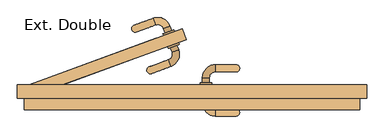
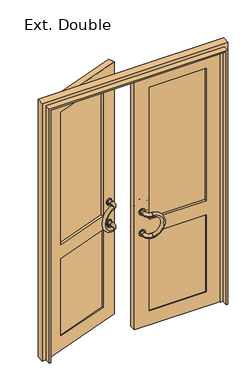
"""IFC4 building model written with IfcOpenShell, lengths in millimetres: door geometry, Ext. Double."""

from ifc_helpers import new_model, si_unit, point, frame, origin, place, context, project, spatial, polyline, circle_curve, ellipse_curve, trimmed, outline, extrude, faceted_brep, source, transform, mapped, element, save
from ifc_brep_helpers import plane_surface, cylinder_surface, revolved_surface, advanced_brep


def ext_double_1179056d(model_context):
    return source(origin(), model_context, "Body", "SolidModel", [
        advanced_brep(
        [(35.0, 213.0, 990.0), (65.0, 213.0, 990.0), (90.0, 268.0, 990.0), (90.0, 238.0, 990.0)],
        [
            (0, 1, circle_curve(frame((50.0, 213.0, 990.0), z_axis=(0.0, -1.0, 0.0), x_axis=(1.0, 0.0, 0.0)), 15.0)),
            (1, 0, circle_curve(frame((50.0, 213.0, 990.0), z_axis=(0.0, -1.0, 0.0), x_axis=(1.0, 0.0, 0.0)), 15.0)),
            (2, 3, circle_curve(frame((90.0, 253.0, 990.0), z_axis=(1.0, 0.0, 0.0), x_axis=(0.0, -1.0, 0.0)), 15.0)),
            (3, 2, circle_curve(frame((90.0, 253.0, 990.0), z_axis=(1.0, 0.0, 0.0), x_axis=(0.0, -1.0, 0.0)), 15.0)),
            (2, 0, circle_curve(frame((90.0, 213.0, 990.0), z_axis=(0.0, 0.0, 1.0), x_axis=(-1.0, 0.0, 0.0)), 55.0)),
            (1, 3, circle_curve(frame((90.0, 213.0, 990.0), z_axis=(0.0, 0.0, -1.0), x_axis=(-1.0, 0.0, 0.0)), 25.0)),
        ],
        [
            plane_surface(frame((90.0, 213.0, 990.0), z_axis=(0.0, -1.0, 0.0), x_axis=(-1.0, 0.0, 0.0))),
            plane_surface(frame((90.0, 213.0, 990.0), z_axis=(1.0, 0.0, 0.0), x_axis=(0.0, 1.0, 0.0))),
            revolved_surface(trimmed(ellipse_curve(frame((50.0, 213.0, 990.0), z_axis=(0.0, 1.0, 0.0), x_axis=(1.0, 0.0, 0.0)), 15.0, 15.0), [point((35.0, 213.0, 990.0))], [point((65.0, 213.0, 990.0))], True, "CARTESIAN"), (90.0, 213.0, 990.0), (0.0, 0.0, 1.0)),
            revolved_surface(trimmed(ellipse_curve(frame((50.0, 213.0, 990.0), z_axis=(0.0, 1.0, 0.0), x_axis=(1.0, 0.0, 0.0)), 15.0, 15.0), [point((65.0, 213.0, 990.0))], [point((35.0, 213.0, 990.0))], True, "CARTESIAN"), (90.0, 213.0, 990.0), (0.0, 0.0, 1.0)),
        ],
        [
            (0, [[1, 2]]),
            (1, [[3, 4]]),
            (2, [[-3, 5, -2, 6]]),
            (3, [[-4, -6, -1, -5]]),
        ],
    ),
        advanced_brep(
        [(35.0, 213.0, 810.0), (65.0, 213.0, 810.0), (90.0, 268.0, 810.0), (90.0, 238.0, 810.0)],
        [
            (0, 1, circle_curve(frame((50.0, 213.0, 810.0), z_axis=(0.0, -1.0, 0.0), x_axis=(1.0, 0.0, 0.0)), 15.0)),
            (1, 0, circle_curve(frame((50.0, 213.0, 810.0), z_axis=(0.0, -1.0, 0.0), x_axis=(1.0, 0.0, 0.0)), 15.0)),
            (2, 3, circle_curve(frame((90.0, 253.0, 810.0), z_axis=(1.0, 0.0, 0.0), x_axis=(0.0, -1.0, 0.0)), 15.0)),
            (3, 2, circle_curve(frame((90.0, 253.0, 810.0), z_axis=(1.0, 0.0, 0.0), x_axis=(0.0, -1.0, 0.0)), 15.0)),
            (2, 0, circle_curve(frame((90.0, 213.0, 810.0), z_axis=(0.0, 0.0, 1.0), x_axis=(-1.0, 0.0, 0.0)), 55.0)),
            (1, 3, circle_curve(frame((90.0, 213.0, 810.0), z_axis=(0.0, 0.0, -1.0), x_axis=(-1.0, 0.0, 0.0)), 25.0)),
        ],
        [
            plane_surface(frame((90.0, 213.0, 990.0), z_axis=(0.0, -1.0, 0.0), x_axis=(-1.0, 0.0, 0.0))),
            plane_surface(frame((90.0, 213.0, 990.0), z_axis=(1.0, 0.0, 0.0), x_axis=(0.0, 1.0, 0.0))),
            revolved_surface(trimmed(ellipse_curve(frame((50.0, 213.0, 810.0), z_axis=(0.0, 1.0, 0.0), x_axis=(1.0, 0.0, 0.0)), 15.0, 15.0), [point((35.0, 213.0, 810.0))], [point((65.0, 213.0, 810.0))], True, "CARTESIAN"), (90.0, 213.0, 990.0), (0.0, 0.0, 1.0)),
            revolved_surface(trimmed(ellipse_curve(frame((50.0, 213.0, 810.0), z_axis=(0.0, 1.0, 0.0), x_axis=(1.0, 0.0, 0.0)), 15.0, 15.0), [point((65.0, 213.0, 810.0))], [point((35.0, 213.0, 810.0))], True, "CARTESIAN"), (90.0, 213.0, 990.0), (0.0, 0.0, 1.0)),
        ],
        [
            (0, [[1, 2]]),
            (1, [[3, 4]]),
            (2, [[-3, 5, -2, 6]]),
            (3, [[-4, -6, -1, -5]]),
        ],
    ),
        advanced_brep(
        [(90.0, 238.0, 990.0), (90.0, 268.0, 990.0), (90.0, 238.0, 810.0), (90.0, 268.0, 810.0)],
        [
            (0, 1, circle_curve(frame((90.0, 253.0, 990.0), z_axis=(-1.0, 0.0, 0.0), x_axis=(0.0, 1.0, 0.0)), 15.0)),
            (1, 0, circle_curve(frame((90.0, 253.0, 990.0), z_axis=(-1.0, 0.0, 0.0), x_axis=(0.0, 1.0, 0.0)), 15.0)),
            (2, 3, circle_curve(frame((90.0, 253.0, 810.0), z_axis=(-1.0, 0.0, 0.0), x_axis=(0.0, 1.0, 0.0)), 15.0)),
            (3, 2, circle_curve(frame((90.0, 253.0, 810.0), z_axis=(-1.0, 0.0, 0.0), x_axis=(0.0, 1.0, 0.0)), 15.0)),
            (2, 0, circle_curve(frame((90.0, 238.0, 900.0), z_axis=(0.0, -1.0, 0.0), x_axis=(0.0, 0.0, 1.0)), 90.0)),
            (1, 3, circle_curve(frame((90.0, 268.0, 900.0), z_axis=(0.0, 1.0, 0.0), x_axis=(0.0, 0.0, 1.0)), 90.0)),
        ],
        [
            plane_surface(frame((90.0, 268.0, 900.0), z_axis=(-1.0, 0.0, 0.0), x_axis=(0.0, 0.0, 1.0))),
            plane_surface(frame((90.0, 268.0, 900.0), z_axis=(-1.0, 0.0, 0.0), x_axis=(0.0, 0.0, -1.0))),
            revolved_surface(trimmed(ellipse_curve(frame((90.0, 253.0, 990.0), z_axis=(1.0, 0.0, 0.0), x_axis=(0.0, 1.0, 0.0)), 15.0, 15.0), [point((90.0, 238.0, 990.0))], [point((90.0, 268.0, 990.0))], True, "CARTESIAN"), (90.0, 268.0, 900.0), (0.0, -1.0, 0.0)),
            revolved_surface(trimmed(ellipse_curve(frame((90.0, 253.0, 990.0), z_axis=(1.0, 0.0, 0.0), x_axis=(0.0, 1.0, 0.0)), 15.0, 15.0), [point((90.0, 268.0, 990.0))], [point((90.0, 238.0, 990.0))], True, "CARTESIAN"), (90.0, 268.0, 900.0), (0.0, -1.0, 0.0)),
        ],
        [
            (0, [[1, 2]]),
            (1, [[3, 4]]),
            (2, [[-3, 5, -2, 6]]),
            (3, [[-4, -6, -1, -5]]),
        ],
    ),
        advanced_brep(
        [(65.0, 103.0, 990.0), (35.0, 103.0, 990.0), (90.0, 78.0, 990.0), (90.0, 48.0, 990.0)],
        [
            (0, 1, circle_curve(frame((50.0, 103.0, 990.0), z_axis=(0.0, 1.0, 0.0), x_axis=(-1.0, 0.0, 0.0)), 15.0)),
            (1, 0, circle_curve(frame((50.0, 103.0, 990.0), z_axis=(0.0, 1.0, 0.0), x_axis=(-1.0, 0.0, 0.0)), 15.0)),
            (2, 3, circle_curve(frame((90.0, 63.0, 990.0), z_axis=(1.0, 0.0, 0.0), x_axis=(0.0, -1.0, 0.0)), 15.0)),
            (3, 2, circle_curve(frame((90.0, 63.0, 990.0), z_axis=(1.0, 0.0, 0.0), x_axis=(0.0, -1.0, 0.0)), 15.0)),
            (2, 0, circle_curve(frame((90.0, 103.0, 990.0), z_axis=(0.0, 0.0, -1.0), x_axis=(-1.0, 0.0, 0.0)), 25.0)),
            (1, 3, circle_curve(frame((90.0, 103.0, 990.0), z_axis=(0.0, 0.0, 1.0), x_axis=(-1.0, 0.0, 0.0)), 55.0)),
        ],
        [
            plane_surface(frame((90.0, 103.0, 990.0), z_axis=(0.0, 1.0, 0.0), x_axis=(-1.0, 0.0, 0.0))),
            plane_surface(frame((90.0, 103.0, 990.0), z_axis=(1.0, 0.0, 0.0), x_axis=(0.0, -1.0, 0.0))),
            revolved_surface(trimmed(ellipse_curve(frame((50.0, 103.0, 990.0), z_axis=(0.0, -1.0, 0.0), x_axis=(-1.0, 0.0, 0.0)), 15.0, 15.0), [point((65.0, 103.0, 990.0))], [point((35.0, 103.0, 990.0))], True, "CARTESIAN"), (90.0, 103.0, 990.0), (0.0, 0.0, -1.0)),
            revolved_surface(trimmed(ellipse_curve(frame((50.0, 103.0, 990.0), z_axis=(0.0, -1.0, 0.0), x_axis=(-1.0, 0.0, 0.0)), 15.0, 15.0), [point((35.0, 103.0, 990.0))], [point((65.0, 103.0, 990.0))], True, "CARTESIAN"), (90.0, 103.0, 990.0), (0.0, 0.0, -1.0)),
        ],
        [
            (0, [[1, 2]]),
            (1, [[3, 4]]),
            (2, [[-3, 5, -2, 6]]),
            (3, [[-4, -6, -1, -5]]),
        ],
    ),
        advanced_brep(
        [(65.0, 103.0, 810.0), (35.0, 103.0, 810.0), (90.0, 78.0, 810.0), (90.0, 48.0, 810.0)],
        [
            (0, 1, circle_curve(frame((50.0, 103.0, 810.0), z_axis=(0.0, 1.0, 0.0), x_axis=(-1.0, 0.0, 0.0)), 15.0)),
            (1, 0, circle_curve(frame((50.0, 103.0, 810.0), z_axis=(0.0, 1.0, 0.0), x_axis=(-1.0, 0.0, 0.0)), 15.0)),
            (2, 3, circle_curve(frame((90.0, 63.0, 810.0), z_axis=(1.0, 0.0, 0.0), x_axis=(0.0, -1.0, 0.0)), 15.0)),
            (3, 2, circle_curve(frame((90.0, 63.0, 810.0), z_axis=(1.0, 0.0, 0.0), x_axis=(0.0, -1.0, 0.0)), 15.0)),
            (2, 0, circle_curve(frame((90.0, 103.0, 810.0), z_axis=(0.0, 0.0, -1.0), x_axis=(-1.0, 0.0, 0.0)), 25.0)),
            (1, 3, circle_curve(frame((90.0, 103.0, 810.0), z_axis=(0.0, 0.0, 1.0), x_axis=(-1.0, 0.0, 0.0)), 55.0)),
        ],
        [
            plane_surface(frame((90.0, 103.0, 990.0), z_axis=(0.0, 1.0, 0.0), x_axis=(-1.0, 0.0, 0.0))),
            plane_surface(frame((90.0, 103.0, 990.0), z_axis=(1.0, 0.0, 0.0), x_axis=(0.0, -1.0, 0.0))),
            revolved_surface(trimmed(ellipse_curve(frame((50.0, 103.0, 810.0), z_axis=(0.0, -1.0, 0.0), x_axis=(-1.0, 0.0, 0.0)), 15.0, 15.0), [point((65.0, 103.0, 810.0))], [point((35.0, 103.0, 810.0))], True, "CARTESIAN"), (90.0, 103.0, 990.0), (0.0, 0.0, -1.0)),
            revolved_surface(trimmed(ellipse_curve(frame((50.0, 103.0, 810.0), z_axis=(0.0, -1.0, 0.0), x_axis=(-1.0, 0.0, 0.0)), 15.0, 15.0), [point((35.0, 103.0, 810.0))], [point((65.0, 103.0, 810.0))], True, "CARTESIAN"), (90.0, 103.0, 990.0), (0.0, 0.0, -1.0)),
        ],
        [
            (0, [[1, 2]]),
            (1, [[3, 4]]),
            (2, [[-3, 5, -2, 6]]),
            (3, [[-4, -6, -1, -5]]),
        ],
    ),
        advanced_brep(
        [(90.0, 48.0, 990.0), (90.0, 78.0, 990.0), (90.0, 48.0, 810.0), (90.0, 78.0, 810.0)],
        [
            (0, 1, circle_curve(frame((90.0, 63.0, 990.0), z_axis=(-1.0, 0.0, 0.0), x_axis=(0.0, 1.0, 0.0)), 15.0)),
            (1, 0, circle_curve(frame((90.0, 63.0, 990.0), z_axis=(-1.0, 0.0, 0.0), x_axis=(0.0, 1.0, 0.0)), 15.0)),
            (2, 3, circle_curve(frame((90.0, 63.0, 810.0), z_axis=(-1.0, 0.0, 0.0), x_axis=(0.0, 1.0, 0.0)), 15.0)),
            (3, 2, circle_curve(frame((90.0, 63.0, 810.0), z_axis=(-1.0, 0.0, 0.0), x_axis=(0.0, 1.0, 0.0)), 15.0)),
            (2, 0, circle_curve(frame((90.0, 48.0, 900.0), z_axis=(0.0, -1.0, 0.0), x_axis=(0.0, 0.0, 1.0)), 90.0)),
            (1, 3, circle_curve(frame((90.0, 78.0, 900.0), z_axis=(0.0, 1.0, 0.0), x_axis=(0.0, 0.0, 1.0)), 90.0)),
        ],
        [
            plane_surface(frame((90.0, 63.0, 900.0), z_axis=(-1.0, 0.0, 0.0), x_axis=(0.0, 0.0, 1.0))),
            plane_surface(frame((90.0, 63.0, 900.0), z_axis=(-1.0, 0.0, 0.0), x_axis=(0.0, 0.0, -1.0))),
            revolved_surface(trimmed(ellipse_curve(frame((90.0, 63.0, 990.0), z_axis=(1.0, 0.0, 0.0), x_axis=(0.0, 1.0, 0.0)), 15.0, 15.0), [point((90.0, 48.0, 990.0))], [point((90.0, 78.0, 990.0))], True, "CARTESIAN"), (90.0, 63.0, 900.0), (0.0, -1.0, 0.0)),
            revolved_surface(trimmed(ellipse_curve(frame((90.0, 63.0, 990.0), z_axis=(1.0, 0.0, 0.0), x_axis=(0.0, 1.0, 0.0)), 15.0, 15.0), [point((90.0, 78.0, 990.0))], [point((90.0, 48.0, 990.0))], True, "CARTESIAN"), (90.0, 63.0, 900.0), (0.0, -1.0, 0.0)),
        ],
        [
            (0, [[1, 2]]),
            (1, [[3, 4]]),
            (2, [[-3, 5, -2, 6]]),
            (3, [[-4, -6, -1, -5]]),
        ],
    ),
        advanced_brep(
        [(25.0, 191.0, 990.0), (75.0, 191.0, 990.0), (65.0, 191.0, 990.0), (35.0, 191.0, 990.0), (25.0, 183.0, 990.0), (75.0, 183.0, 990.0), (35.0, 213.0, 990.0), (65.0, 213.0, 990.0)],
        [
            (0, 1, circle_curve(frame((50.0, 191.0, 990.0), z_axis=(0.0, 1.0, 0.0), x_axis=(1.0, 0.0, 0.0)), 25.0)),
            (1, 0, circle_curve(frame((50.0, 191.0, 990.0), z_axis=(0.0, 1.0, 0.0), x_axis=(1.0, 0.0, 0.0)), 25.0)),
            (2, 3, circle_curve(frame((50.0, 191.0, 990.0), z_axis=(0.0, -1.0, 0.0), x_axis=(1.0, 0.0, 0.0)), 15.0)),
            (3, 2, circle_curve(frame((50.0, 191.0, 990.0), z_axis=(0.0, -1.0, 0.0), x_axis=(1.0, 0.0, 0.0)), 15.0)),
            (4, 5, circle_curve(frame((50.0, 183.0, 990.0), z_axis=(0.0, -1.0, 0.0), x_axis=(1.0, 0.0, 0.0)), 25.0)),
            (5, 4, circle_curve(frame((50.0, 183.0, 990.0), z_axis=(0.0, -1.0, 0.0), x_axis=(1.0, 0.0, 0.0)), 25.0)),
            (1, 5),
            (4, 0),
            (6, 7, circle_curve(frame((50.0, 213.0, 990.0), z_axis=(0.0, 1.0, 0.0), x_axis=(1.0, 0.0, 0.0)), 15.0)),
            (7, 6, circle_curve(frame((50.0, 213.0, 990.0), z_axis=(0.0, 1.0, 0.0), x_axis=(1.0, 0.0, 0.0)), 15.0)),
            (7, 2),
            (3, 6),
        ],
        [
            plane_surface(frame((75.0, 191.0, 990.0), z_axis=(0.0, 1.0, 0.0), x_axis=(0.0, 0.0, 1.0))),
            plane_surface(frame((75.0, 183.0, 990.0), z_axis=(0.0, -1.0, 0.0), x_axis=(0.0, 0.0, -1.0))),
            cylinder_surface(frame((50.0, 183.0, 990.0), z_axis=(0.0, 1.0, 0.0), x_axis=(1.0, 0.0, 0.0)), 25.0),
            plane_surface(frame((65.0, 213.0, 990.0), z_axis=(0.0, 1.0, 0.0), x_axis=(0.0, 0.0, 1.0))),
            cylinder_surface(frame((50.0, 183.0, 990.0), z_axis=(0.0, 1.0, 0.0), x_axis=(1.0, 0.0, 0.0)), 15.0),
        ],
        [
            (0, [[1, 2], [3, 4]]),
            (1, [[5, 6]]),
            (2, [[7, -5, 8, -2]]),
            (2, [[-8, -6, -7, -1]]),
            (3, [[9, 10]]),
            (4, [[11, -4, 12, -10]]),
            (4, [[-12, -3, -11, -9]]),
        ],
    ),
        advanced_brep(
        [(25.0, 191.0, 810.0), (75.0, 191.0, 810.0), (65.0, 191.0, 810.0), (35.0, 191.0, 810.0), (25.0, 183.0, 810.0), (75.0, 183.0, 810.0), (35.0, 213.0, 810.0), (65.0, 213.0, 810.0)],
        [
            (0, 1, circle_curve(frame((50.0, 191.0, 810.0), z_axis=(0.0, 1.0, 0.0), x_axis=(1.0, 0.0, 0.0)), 25.0)),
            (1, 0, circle_curve(frame((50.0, 191.0, 810.0), z_axis=(0.0, 1.0, 0.0), x_axis=(1.0, 0.0, 0.0)), 25.0)),
            (2, 3, circle_curve(frame((50.0, 191.0, 810.0), z_axis=(0.0, -1.0, 0.0), x_axis=(1.0, 0.0, 0.0)), 15.0)),
            (3, 2, circle_curve(frame((50.0, 191.0, 810.0), z_axis=(0.0, -1.0, 0.0), x_axis=(1.0, 0.0, 0.0)), 15.0)),
            (4, 5, circle_curve(frame((50.0, 183.0, 810.0), z_axis=(0.0, -1.0, 0.0), x_axis=(1.0, 0.0, 0.0)), 25.0)),
            (5, 4, circle_curve(frame((50.0, 183.0, 810.0), z_axis=(0.0, -1.0, 0.0), x_axis=(1.0, 0.0, 0.0)), 25.0)),
            (1, 5),
            (4, 0),
            (6, 7, circle_curve(frame((50.0, 213.0, 810.0), z_axis=(0.0, 1.0, 0.0), x_axis=(1.0, 0.0, 0.0)), 15.0)),
            (7, 6, circle_curve(frame((50.0, 213.0, 810.0), z_axis=(0.0, 1.0, 0.0), x_axis=(1.0, 0.0, 0.0)), 15.0)),
            (7, 2),
            (3, 6),
        ],
        [
            plane_surface(frame((75.0, 191.0, 990.0), z_axis=(0.0, 1.0, 0.0), x_axis=(0.0, 0.0, 1.0))),
            plane_surface(frame((75.0, 183.0, 990.0), z_axis=(0.0, -1.0, 0.0), x_axis=(0.0, 0.0, -1.0))),
            cylinder_surface(frame((50.0, 183.0, 810.0), z_axis=(0.0, 1.0, 0.0), x_axis=(1.0, 0.0, 0.0)), 25.0),
            plane_surface(frame((65.0, 213.0, 990.0), z_axis=(0.0, 1.0, 0.0), x_axis=(0.0, 0.0, 1.0))),
            cylinder_surface(frame((50.0, 183.0, 810.0), z_axis=(0.0, 1.0, 0.0), x_axis=(1.0, 0.0, 0.0)), 15.0),
        ],
        [
            (0, [[1, 2], [3, 4]]),
            (1, [[5, 6]]),
            (2, [[7, -5, 8, -2]]),
            (2, [[-8, -6, -7, -1]]),
            (3, [[9, 10]]),
            (4, [[11, -4, 12, -10]]),
            (4, [[-12, -3, -11, -9]]),
        ],
    ),
        advanced_brep(
        [(25.0, 133.0, 810.0), (75.0, 133.0, 810.0), (25.0, 125.0, 810.0), (75.0, 125.0, 810.0), (35.0, 125.0, 810.0), (65.0, 125.0, 810.0), (35.0, 103.0, 810.0), (65.0, 103.0, 810.0)],
        [
            (0, 1, circle_curve(frame((50.0, 133.0, 810.0), z_axis=(0.0, 1.0, 0.0), x_axis=(1.0, 0.0, 0.0)), 25.0)),
            (1, 0, circle_curve(frame((50.0, 133.0, 810.0), z_axis=(0.0, 1.0, 0.0), x_axis=(1.0, 0.0, 0.0)), 25.0)),
            (2, 3, circle_curve(frame((50.0, 125.0, 810.0), z_axis=(0.0, -1.0, 0.0), x_axis=(1.0, 0.0, 0.0)), 25.0)),
            (3, 2, circle_curve(frame((50.0, 125.0, 810.0), z_axis=(0.0, -1.0, 0.0), x_axis=(1.0, 0.0, 0.0)), 25.0)),
            (4, 5, circle_curve(frame((50.0, 125.0, 810.0), z_axis=(0.0, 1.0, 0.0), x_axis=(1.0, 0.0, 0.0)), 15.0)),
            (5, 4, circle_curve(frame((50.0, 125.0, 810.0), z_axis=(0.0, 1.0, 0.0), x_axis=(1.0, 0.0, 0.0)), 15.0)),
            (1, 3),
            (2, 0),
            (6, 7, circle_curve(frame((50.0, 103.0, 810.0), z_axis=(0.0, -1.0, 0.0), x_axis=(1.0, 0.0, 0.0)), 15.0)),
            (7, 6, circle_curve(frame((50.0, 103.0, 810.0), z_axis=(0.0, -1.0, 0.0), x_axis=(1.0, 0.0, 0.0)), 15.0)),
            (6, 4),
            (5, 7),
        ],
        [
            plane_surface(frame((75.0, 133.0, 990.0), z_axis=(0.0, 1.0, 0.0), x_axis=(0.0, 0.0, 1.0))),
            plane_surface(frame((75.0, 125.0, 990.0), z_axis=(0.0, -1.0, 0.0), x_axis=(0.0, 0.0, -1.0))),
            cylinder_surface(frame((50.0, 133.0, 810.0), z_axis=(0.0, 1.0, 0.0), x_axis=(1.0, 0.0, 0.0)), 25.0),
            plane_surface(frame((65.0, 103.0, 990.0), z_axis=(0.0, -1.0, 0.0), x_axis=(0.0, 0.0, -1.0))),
            cylinder_surface(frame((50.0, 133.0, 810.0), z_axis=(0.0, 1.0, 0.0), x_axis=(1.0, 0.0, 0.0)), 15.0),
        ],
        [
            (0, [[1, 2]]),
            (1, [[3, 4], [5, 6]]),
            (2, [[7, -3, 8, -2]]),
            (2, [[-8, -4, -7, -1]]),
            (3, [[9, 10]]),
            (4, [[11, -6, 12, -9]]),
            (4, [[-12, -5, -11, -10]]),
        ],
    ),
        advanced_brep(
        [(25.0, 133.0, 990.0), (75.0, 133.0, 990.0), (25.0, 125.0, 990.0), (75.0, 125.0, 990.0), (35.0, 125.0, 990.0), (65.0, 125.0, 990.0), (35.0, 103.0, 990.0), (65.0, 103.0, 990.0)],
        [
            (0, 1, circle_curve(frame((50.0, 133.0, 990.0), z_axis=(0.0, 1.0, 0.0), x_axis=(1.0, 0.0, 0.0)), 25.0)),
            (1, 0, circle_curve(frame((50.0, 133.0, 990.0), z_axis=(0.0, 1.0, 0.0), x_axis=(1.0, 0.0, 0.0)), 25.0)),
            (2, 3, circle_curve(frame((50.0, 125.0, 990.0), z_axis=(0.0, -1.0, 0.0), x_axis=(1.0, 0.0, 0.0)), 25.0)),
            (3, 2, circle_curve(frame((50.0, 125.0, 990.0), z_axis=(0.0, -1.0, 0.0), x_axis=(1.0, 0.0, 0.0)), 25.0)),
            (4, 5, circle_curve(frame((50.0, 125.0, 990.0), z_axis=(0.0, 1.0, 0.0), x_axis=(1.0, 0.0, 0.0)), 15.0)),
            (5, 4, circle_curve(frame((50.0, 125.0, 990.0), z_axis=(0.0, 1.0, 0.0), x_axis=(1.0, 0.0, 0.0)), 15.0)),
            (1, 3),
            (2, 0),
            (6, 7, circle_curve(frame((50.0, 103.0, 990.0), z_axis=(0.0, -1.0, 0.0), x_axis=(1.0, 0.0, 0.0)), 15.0)),
            (7, 6, circle_curve(frame((50.0, 103.0, 990.0), z_axis=(0.0, -1.0, 0.0), x_axis=(1.0, 0.0, 0.0)), 15.0)),
            (6, 4),
            (5, 7),
        ],
        [
            plane_surface(frame((75.0, 133.0, 990.0), z_axis=(0.0, 1.0, 0.0), x_axis=(0.0, 0.0, 1.0))),
            plane_surface(frame((75.0, 125.0, 990.0), z_axis=(0.0, -1.0, 0.0), x_axis=(0.0, 0.0, -1.0))),
            cylinder_surface(frame((50.0, 125.0, 990.0), z_axis=(0.0, 1.0, 0.0), x_axis=(1.0, 0.0, 0.0)), 25.0),
            plane_surface(frame((65.0, 103.0, 990.0), z_axis=(0.0, -1.0, 0.0), x_axis=(0.0, 0.0, -1.0))),
            cylinder_surface(frame((50.0, 103.0, 990.0), z_axis=(0.0, 1.0, 0.0), x_axis=(1.0, 0.0, 0.0)), 15.0),
        ],
        [
            (0, [[1, 2]]),
            (1, [[3, 4], [5, 6]]),
            (2, [[7, -3, 8, -2]]),
            (2, [[-8, -4, -7, -1]]),
            (3, [[9, 10]]),
            (4, [[11, -6, 12, -9]]),
            (4, [[-12, -5, -11, -10]]),
        ],
    ),
        extrude(outline(polyline([(110.0, 153.0), (110.0, 163.0), (570.0, 163.0), (570.0, 153.0), (110.0, 153.0)])), frame((0.0, 0.0, 900.0), z_axis=(0.0, 0.0, 1.0), x_axis=(1.0, 0.0, 0.0)), (0.0, 0.0, 1.0), 1130.0),
        faceted_brep([(-10.0, 133.0, 2150.0), (-10.0, 133.0, 0.0), (690.0, 133.0, 0.0), (690.0, 133.0, 2150.0), (570.0, 133.0, 2030.0), (570.0, 133.0, 900.0), (110.0, 133.0, 900.0), (110.0, 133.0, 2030.0), (110.0, 133.0, 780.0), (570.0, 133.0, 780.0), (570.0, 133.0, 120.0), (110.0, 133.0, 120.0), (-10.0, 183.0, 2150.0), (690.0, 183.0, 2150.0), (690.0, 183.0, 0.0), (-10.0, 183.0, 0.0), (570.0, 183.0, 2030.0), (110.0, 183.0, 2030.0), (110.0, 183.0, 900.0), (570.0, 183.0, 900.0), (570.0, 183.0, 780.0), (110.0, 183.0, 780.0), (110.0, 183.0, 120.0), (570.0, 183.0, 120.0), (110.0, 141.0, 780.0), (110.0, 141.0, 120.0), (570.0, 141.0, 120.0), (570.0, 141.0, 780.0), (570.0, 175.0, 780.0), (570.0, 175.0, 120.0), (110.0, 175.0, 120.0), (110.0, 175.0, 780.0)], [[[0, 1, 2, 3], [4, 5, 6, 7], [8, 9, 10, 11]], [[12, 13, 14, 15], [16, 17, 18, 19], [20, 21, 22, 23]], [[3, 13, 12, 0]], [[2, 14, 13, 3]], [[1, 15, 14, 2]], [[0, 12, 15, 1]], [[7, 17, 16, 4]], [[6, 18, 17, 7]], [[5, 19, 18, 6]], [[4, 16, 19, 5]], [[24, 25, 26, 27]], [[24, 8, 11, 25]], [[25, 11, 10, 26]], [[26, 10, 9, 27]], [[27, 9, 8, 24]], [[28, 29, 30, 31]], [[28, 20, 23, 29]], [[29, 23, 22, 30]], [[30, 22, 21, 31]], [[31, 21, 20, 28]]]),
        advanced_brep(
        [(-104.7619377, 435.2139725, 990.0), (-132.9527163, 424.9533682, 990.0), (-175.2561397, 468.0859588, 990.0), (-164.9955354, 439.8951801, 990.0)],
        [
            (0, 1, circle_curve(frame((-118.857327, 430.0836704, 990.0), z_axis=(0.34202014332566416, -0.9396926207859104, 0.0), x_axis=(-0.9396926207859102, -0.3420201433256641, 0.0)), 15.0)),
            (1, 0, circle_curve(frame((-118.857327, 430.0836704, 990.0), z_axis=(0.34202014332566416, -0.9396926207859104, 0.0), x_axis=(-0.9396926207859102, -0.3420201433256641, 0.0)), 15.0)),
            (2, 3, circle_curve(frame((-170.1258376, 453.9905695, 990.0), z_axis=(-0.9396926207859108, -0.3420201433256624, 0.0), x_axis=(0.34202014332566244, -0.939692620785911, 0.0)), 15.0)),
            (3, 2, circle_curve(frame((-170.1258376, 453.9905695, 990.0), z_axis=(-0.9396926207859108, -0.3420201433256624, 0.0), x_axis=(0.34202014332566244, -0.939692620785911, 0.0)), 15.0)),
            (3, 1, circle_curve(frame((-156.4450318, 416.4028646, 990.0), z_axis=(0.0, 0.0, -1.0), x_axis=(0.939692620785908, 0.34202014332567016, 0.0)), 25.0)),
            (0, 2, circle_curve(frame((-156.4450318, 416.4028646, 990.0), z_axis=(0.0, 0.0, 1.0), x_axis=(0.939692620785908, 0.34202014332567016, 0.0)), 55.0)),
        ],
        [
            plane_surface(frame((-156.4450318, 416.4028646, 990.0), z_axis=(0.34202014332567016, -0.939692620785908, 0.0), x_axis=(0.939692620785908, 0.34202014332567016, 0.0))),
            plane_surface(frame((-156.4450318, 416.4028646, 990.0), z_axis=(-0.9396926207859086, -0.3420201433256684, 0.0), x_axis=(-0.3420201433256684, 0.9396926207859086, 0.0))),
            revolved_surface(trimmed(ellipse_curve(frame((-118.857327, 430.0836704, 990.0), z_axis=(0.34202014332566416, -0.9396926207859104, 0.0), x_axis=(-0.9396926207859102, -0.3420201433256641, 0.0)), 15.0, 15.0), [point((-104.7619377, 435.2139725, 990.0))], [point((-132.9527163, 424.9533682, 990.0))], True, "CARTESIAN"), (-156.4450318, 416.4028646, 990.0), (0.0, 0.0, 1.0000000000000002)),
            revolved_surface(trimmed(ellipse_curve(frame((-118.857327, 430.0836704, 990.0), z_axis=(0.34202014332566416, -0.9396926207859104, 0.0), x_axis=(-0.9396926207859102, -0.3420201433256641, 0.0)), 15.0, 15.0), [point((-132.9527163, 424.9533682, 990.0))], [point((-104.7619377, 435.2139725, 990.0))], True, "CARTESIAN"), (-156.4450318, 416.4028646, 990.0), (0.0, 0.0, 1.0000000000000002)),
        ],
        [
            (0, [[1, 2]]),
            (1, [[3, 4]]),
            (2, [[5, -1, 6, -4]]),
            (3, [[-6, -2, -5, -3]]),
        ],
    ),
        advanced_brep(
        [(-104.7619377, 435.2139725, 810.0), (-132.9527163, 424.9533682, 810.0), (-175.2561397, 468.0859588, 810.0), (-164.9955354, 439.8951801, 810.0)],
        [
            (0, 1, circle_curve(frame((-118.857327, 430.0836704, 810.0), z_axis=(0.34202014332566416, -0.9396926207859104, 0.0), x_axis=(-0.9396926207859102, -0.3420201433256641, 0.0)), 15.0)),
            (1, 0, circle_curve(frame((-118.857327, 430.0836704, 810.0), z_axis=(0.34202014332566416, -0.9396926207859104, 0.0), x_axis=(-0.9396926207859102, -0.3420201433256641, 0.0)), 15.0)),
            (2, 3, circle_curve(frame((-170.1258376, 453.9905695, 810.0), z_axis=(-0.9396926207859108, -0.3420201433256624, 0.0), x_axis=(0.34202014332566244, -0.939692620785911, 0.0)), 15.0)),
            (3, 2, circle_curve(frame((-170.1258376, 453.9905695, 810.0), z_axis=(-0.9396926207859108, -0.3420201433256624, 0.0), x_axis=(0.34202014332566244, -0.939692620785911, 0.0)), 15.0)),
            (3, 1, circle_curve(frame((-156.4450318, 416.4028646, 810.0), z_axis=(0.0, 0.0, -1.0), x_axis=(0.939692620785908, 0.34202014332567016, 0.0)), 25.0)),
            (0, 2, circle_curve(frame((-156.4450318, 416.4028646, 810.0), z_axis=(0.0, 0.0, 1.0), x_axis=(0.939692620785908, 0.34202014332567016, 0.0)), 55.0)),
        ],
        [
            plane_surface(frame((-156.4450318, 416.4028646, 990.0), z_axis=(0.34202014332567016, -0.939692620785908, 0.0), x_axis=(0.939692620785908, 0.34202014332567016, 0.0))),
            plane_surface(frame((-156.4450318, 416.4028646, 990.0), z_axis=(-0.9396926207859086, -0.3420201433256684, 0.0), x_axis=(-0.3420201433256684, 0.9396926207859086, 0.0))),
            revolved_surface(trimmed(ellipse_curve(frame((-118.857327, 430.0836704, 810.0), z_axis=(0.34202014332566416, -0.9396926207859104, 0.0), x_axis=(-0.9396926207859102, -0.3420201433256641, 0.0)), 15.0, 15.0), [point((-104.7619377, 435.2139725, 810.0))], [point((-132.9527163, 424.9533682, 810.0))], True, "CARTESIAN"), (-156.4450318, 416.4028646, 990.0), (0.0, 0.0, 1.0000000000000002)),
            revolved_surface(trimmed(ellipse_curve(frame((-118.857327, 430.0836704, 810.0), z_axis=(0.34202014332566416, -0.9396926207859104, 0.0), x_axis=(-0.9396926207859102, -0.3420201433256641, 0.0)), 15.0, 15.0), [point((-132.9527163, 424.9533682, 810.0))], [point((-104.7619377, 435.2139725, 810.0))], True, "CARTESIAN"), (-156.4450318, 416.4028646, 990.0), (0.0, 0.0, 1.0000000000000002)),
        ],
        [
            (0, [[1, 2]]),
            (1, [[3, 4]]),
            (2, [[5, -1, 6, -4]]),
            (3, [[-6, -2, -5, -3]]),
        ],
    ),
        advanced_brep(
        [(-164.9955354, 439.8951801, 990.0), (-175.2561397, 468.0859588, 990.0), (-164.9955354, 439.8951801, 810.0), (-175.2561397, 468.0859588, 810.0)],
        [
            (0, 1, circle_curve(frame((-170.1258376, 453.9905695, 990.0), z_axis=(0.9396926207859086, 0.34202014332566844, 0.0), x_axis=(-0.3420201433256685, 0.9396926207859089, 0.0)), 15.0)),
            (1, 0, circle_curve(frame((-170.1258376, 453.9905695, 990.0), z_axis=(0.9396926207859086, 0.34202014332566844, 0.0), x_axis=(-0.3420201433256685, 0.9396926207859089, 0.0)), 15.0)),
            (2, 3, circle_curve(frame((-170.1258376, 453.9905695, 810.0), z_axis=(0.9396926207859086, 0.34202014332566844, 0.0), x_axis=(-0.3420201433256685, 0.9396926207859089, 0.0)), 15.0)),
            (3, 2, circle_curve(frame((-170.1258376, 453.9905695, 810.0), z_axis=(0.9396926207859086, 0.34202014332566844, 0.0), x_axis=(-0.3420201433256685, 0.9396926207859089, 0.0)), 15.0)),
            (3, 1, circle_curve(frame((-175.2561397, 468.0859588, 900.0), z_axis=(-0.34202014332566844, 0.9396926207859086, 0.0), x_axis=(0.0, 0.0, 1.0000000000000002)), 90.0)),
            (0, 2, circle_curve(frame((-164.9955354, 439.8951801, 900.0), z_axis=(0.34202014332566844, -0.9396926207859086, 0.0), x_axis=(0.0, 0.0, 1.0000000000000002)), 90.0)),
        ],
        [
            plane_surface(frame((-175.2561397, 468.0859588, 900.0), z_axis=(0.9396926207859086, 0.34202014332566844, 0.0), x_axis=(0.0, 0.0, 1.0))),
            plane_surface(frame((-175.2561397, 468.0859588, 900.0), z_axis=(0.9396926207859086, 0.34202014332566844, 0.0), x_axis=(0.0, 0.0, -1.0))),
            revolved_surface(trimmed(ellipse_curve(frame((-170.1258376, 453.9905695, 990.0), z_axis=(0.9396926207859086, 0.34202014332566844, 0.0), x_axis=(-0.3420201433256685, 0.9396926207859089, 0.0)), 15.0, 15.0), [point((-164.9955354, 439.8951801, 990.0))], [point((-175.2561397, 468.0859588, 990.0))], True, "CARTESIAN"), (-175.2561397, 468.0859588, 900.0), (0.3420201433256685, -0.9396926207859089, 0.0)),
            revolved_surface(trimmed(ellipse_curve(frame((-170.1258376, 453.9905695, 990.0), z_axis=(0.9396926207859086, 0.34202014332566844, 0.0), x_axis=(-0.3420201433256685, 0.9396926207859089, 0.0)), 15.0, 15.0), [point((-175.2561397, 468.0859588, 990.0))], [point((-164.9955354, 439.8951801, 990.0))], True, "CARTESIAN"), (-175.2561397, 468.0859588, 900.0), (0.3420201433256685, -0.9396926207859089, 0.0)),
        ],
        [
            (0, [[1, 2]]),
            (1, [[3, 4]]),
            (2, [[5, -1, 6, -4]]),
            (3, [[-6, -2, -5, -3]]),
        ],
    ),
        advanced_brep(
        [(-95.3305005, 321.5871799, 990.0), (-67.1397219, 331.8477842, 990.0), (-110.2723125, 289.5443608, 990.0), (-100.0117082, 261.3535822, 990.0)],
        [
            (0, 1, circle_curve(frame((-81.2351112, 326.7174821, 990.0), z_axis=(-0.3420201433256699, 0.9396926207859084, 0.0), x_axis=(0.9396926207859082, 0.3420201433256698, 0.0)), 15.0)),
            (1, 0, circle_curve(frame((-81.2351112, 326.7174821, 990.0), z_axis=(-0.3420201433256699, 0.9396926207859084, 0.0), x_axis=(0.9396926207859082, 0.3420201433256698, 0.0)), 15.0)),
            (2, 3, circle_curve(frame((-105.1420103, 275.4489715, 990.0), z_axis=(-0.9396926207859078, -0.34202014332567116, 0.0), x_axis=(0.3420201433256712, -0.939692620785908, 0.0)), 15.0)),
            (3, 2, circle_curve(frame((-105.1420103, 275.4489715, 990.0), z_axis=(-0.9396926207859078, -0.34202014332567116, 0.0), x_axis=(0.3420201433256712, -0.939692620785908, 0.0)), 15.0)),
            (3, 1, circle_curve(frame((-118.8228161, 313.0366763, 990.0), z_axis=(0.0, 0.0, 1.0), x_axis=(0.9396926207859082, 0.34202014332566977, 0.0)), 55.0)),
            (0, 2, circle_curve(frame((-118.8228161, 313.0366763, 990.0), z_axis=(0.0, 0.0, -1.0), x_axis=(0.9396926207859082, 0.34202014332566977, 0.0)), 25.0)),
        ],
        [
            plane_surface(frame((-118.8228161, 313.0366763, 990.0), z_axis=(-0.34202014332566977, 0.9396926207859081, 0.0), x_axis=(0.9396926207859081, 0.34202014332566977, 0.0))),
            plane_surface(frame((-118.8228161, 313.0366763, 990.0), z_axis=(-0.9396926207859077, -0.34202014332567104, 0.0), x_axis=(0.34202014332567104, -0.9396926207859077, 0.0))),
            revolved_surface(trimmed(ellipse_curve(frame((-81.2351112, 326.7174821, 990.0), z_axis=(-0.3420201433256699, 0.9396926207859084, 0.0), x_axis=(0.9396926207859082, 0.3420201433256698, 0.0)), 15.0, 15.0), [point((-95.3305005, 321.5871799, 990.0))], [point((-67.1397219, 331.8477842, 990.0))], True, "CARTESIAN"), (-118.8228161, 313.0366763, 990.0), (0.0, 0.0, -1.0000000000000002)),
            revolved_surface(trimmed(ellipse_curve(frame((-81.2351112, 326.7174821, 990.0), z_axis=(-0.3420201433256699, 0.9396926207859084, 0.0), x_axis=(0.9396926207859082, 0.3420201433256698, 0.0)), 15.0, 15.0), [point((-67.1397219, 331.8477842, 990.0))], [point((-95.3305005, 321.5871799, 990.0))], True, "CARTESIAN"), (-118.8228161, 313.0366763, 990.0), (0.0, 0.0, -1.0000000000000002)),
        ],
        [
            (0, [[1, 2]]),
            (1, [[3, 4]]),
            (2, [[5, -1, 6, -4]]),
            (3, [[-6, -2, -5, -3]]),
        ],
    ),
        advanced_brep(
        [(-95.3305005, 321.5871799, 810.0), (-67.1397219, 331.8477842, 810.0), (-110.2723125, 289.5443608, 810.0), (-100.0117082, 261.3535822, 810.0)],
        [
            (0, 1, circle_curve(frame((-81.2351112, 326.7174821, 810.0), z_axis=(-0.3420201433256699, 0.9396926207859084, 0.0), x_axis=(0.9396926207859082, 0.3420201433256698, 0.0)), 15.0)),
            (1, 0, circle_curve(frame((-81.2351112, 326.7174821, 810.0), z_axis=(-0.3420201433256699, 0.9396926207859084, 0.0), x_axis=(0.9396926207859082, 0.3420201433256698, 0.0)), 15.0)),
            (2, 3, circle_curve(frame((-105.1420103, 275.4489715, 810.0), z_axis=(-0.9396926207859078, -0.34202014332567116, 0.0), x_axis=(0.3420201433256712, -0.939692620785908, 0.0)), 15.0)),
            (3, 2, circle_curve(frame((-105.1420103, 275.4489715, 810.0), z_axis=(-0.9396926207859078, -0.34202014332567116, 0.0), x_axis=(0.3420201433256712, -0.939692620785908, 0.0)), 15.0)),
            (3, 1, circle_curve(frame((-118.8228161, 313.0366763, 810.0), z_axis=(0.0, 0.0, 1.0), x_axis=(0.9396926207859082, 0.34202014332566977, 0.0)), 55.0)),
            (0, 2, circle_curve(frame((-118.8228161, 313.0366763, 810.0), z_axis=(0.0, 0.0, -1.0), x_axis=(0.9396926207859082, 0.34202014332566977, 0.0)), 25.0)),
        ],
        [
            plane_surface(frame((-118.8228161, 313.0366763, 990.0), z_axis=(-0.34202014332566977, 0.9396926207859081, 0.0), x_axis=(0.9396926207859081, 0.34202014332566977, 0.0))),
            plane_surface(frame((-118.8228161, 313.0366763, 990.0), z_axis=(-0.9396926207859077, -0.34202014332567104, 0.0), x_axis=(0.34202014332567104, -0.9396926207859077, 0.0))),
            revolved_surface(trimmed(ellipse_curve(frame((-81.2351112, 326.7174821, 810.0), z_axis=(-0.3420201433256699, 0.9396926207859084, 0.0), x_axis=(0.9396926207859082, 0.3420201433256698, 0.0)), 15.0, 15.0), [point((-95.3305005, 321.5871799, 810.0))], [point((-67.1397219, 331.8477842, 810.0))], True, "CARTESIAN"), (-118.8228161, 313.0366763, 990.0), (0.0, 0.0, -1.0000000000000002)),
            revolved_surface(trimmed(ellipse_curve(frame((-81.2351112, 326.7174821, 810.0), z_axis=(-0.3420201433256699, 0.9396926207859084, 0.0), x_axis=(0.9396926207859082, 0.3420201433256698, 0.0)), 15.0, 15.0), [point((-67.1397219, 331.8477842, 810.0))], [point((-95.3305005, 321.5871799, 810.0))], True, "CARTESIAN"), (-118.8228161, 313.0366763, 990.0), (0.0, 0.0, -1.0000000000000002)),
        ],
        [
            (0, [[1, 2]]),
            (1, [[3, 4]]),
            (2, [[5, -1, 6, -4]]),
            (3, [[-6, -2, -5, -3]]),
        ],
    ),
        advanced_brep(
        [(-100.0117082, 261.3535822, 990.0), (-110.2723125, 289.5443608, 990.0), (-100.0117082, 261.3535822, 810.0), (-110.2723125, 289.5443608, 810.0)],
        [
            (0, 1, circle_curve(frame((-105.1420103, 275.4489715, 990.0), z_axis=(0.9396926207859098, 0.3420201433256654, 0.0), x_axis=(-0.34202014332566544, 0.93969262078591, 0.0)), 15.0)),
            (1, 0, circle_curve(frame((-105.1420103, 275.4489715, 990.0), z_axis=(0.9396926207859098, 0.3420201433256654, 0.0), x_axis=(-0.34202014332566544, 0.93969262078591, 0.0)), 15.0)),
            (2, 3, circle_curve(frame((-105.1420103, 275.4489715, 810.0), z_axis=(0.9396926207859098, 0.3420201433256654, 0.0), x_axis=(-0.34202014332566544, 0.93969262078591, 0.0)), 15.0)),
            (3, 2, circle_curve(frame((-105.1420103, 275.4489715, 810.0), z_axis=(0.9396926207859098, 0.3420201433256654, 0.0), x_axis=(-0.34202014332566544, 0.93969262078591, 0.0)), 15.0)),
            (3, 1, circle_curve(frame((-110.2723125, 289.5443608, 900.0), z_axis=(-0.34202014332566527, 0.9396926207859095, 0.0), x_axis=(0.0, 0.0, 1.0000000000000002)), 90.0)),
            (0, 2, circle_curve(frame((-100.0117082, 261.3535822, 900.0), z_axis=(0.34202014332566527, -0.9396926207859095, 0.0), x_axis=(0.0, 0.0, 1.0000000000000002)), 90.0)),
        ],
        [
            plane_surface(frame((-105.1420103, 275.4489715, 900.0), z_axis=(0.9396926207859096, 0.3420201433256653, 0.0), x_axis=(0.0, 0.0, 1.0))),
            plane_surface(frame((-105.1420103, 275.4489715, 900.0), z_axis=(0.9396926207859096, 0.3420201433256653, 0.0), x_axis=(0.0, 0.0, -1.0))),
            revolved_surface(trimmed(ellipse_curve(frame((-105.1420103, 275.4489715, 990.0), z_axis=(0.9396926207859098, 0.3420201433256654, 0.0), x_axis=(-0.34202014332566544, 0.93969262078591, 0.0)), 15.0, 15.0), [point((-100.0117082, 261.3535822, 990.0))], [point((-110.2723125, 289.5443608, 990.0))], True, "CARTESIAN"), (-105.1420103, 275.4489715, 900.0), (0.34202014332566544, -0.93969262078591, 0.0)),
            revolved_surface(trimmed(ellipse_curve(frame((-105.1420103, 275.4489715, 990.0), z_axis=(0.9396926207859098, 0.3420201433256654, 0.0), x_axis=(-0.34202014332566544, 0.93969262078591, 0.0)), 15.0, 15.0), [point((-110.2723125, 289.5443608, 990.0))], [point((-100.0117082, 261.3535822, 990.0))], True, "CARTESIAN"), (-105.1420103, 275.4489715, 900.0), (0.34202014332566544, -0.93969262078591, 0.0)),
        ],
        [
            (0, [[1, 2]]),
            (1, [[3, 4]]),
            (2, [[5, -1, 6, -4]]),
            (3, [[-6, -2, -5, -3]]),
        ],
    ),
        advanced_brep(
        [(-87.8405683, 417.9609363, 990.0), (-134.8251994, 400.8599291, 990.0), (-125.4282732, 404.2801305, 990.0), (-97.2374945, 414.5407348, 990.0), (-85.1044072, 410.4433953, 990.0), (-132.0890382, 393.3423881, 990.0), (-104.7619377, 435.2139725, 990.0), (-132.9527163, 424.9533682, 990.0)],
        [
            (0, 1, circle_curve(frame((-111.3328838, 409.4104327, 990.0), z_axis=(-0.34202014332566844, 0.9396926207859086, 0.0), x_axis=(-0.9396926207859086, -0.34202014332566844, 0.0)), 25.0)),
            (1, 0, circle_curve(frame((-111.3328838, 409.4104327, 990.0), z_axis=(-0.34202014332566844, 0.9396926207859086, 0.0), x_axis=(-0.9396926207859086, -0.34202014332566844, 0.0)), 25.0)),
            (2, 3, circle_curve(frame((-111.3328838, 409.4104327, 990.0), z_axis=(0.34202014332566844, -0.9396926207859086, 0.0), x_axis=(-0.9396926207859086, -0.34202014332566844, 0.0)), 15.0)),
            (3, 2, circle_curve(frame((-111.3328838, 409.4104327, 990.0), z_axis=(0.34202014332566844, -0.9396926207859086, 0.0), x_axis=(-0.9396926207859086, -0.34202014332566844, 0.0)), 15.0)),
            (4, 5, circle_curve(frame((-108.5967227, 401.8928917, 990.0), z_axis=(0.34202014332566844, -0.9396926207859086, 0.0), x_axis=(-0.9396926207859086, -0.34202014332566844, 0.0)), 25.0)),
            (5, 4, circle_curve(frame((-108.5967227, 401.8928917, 990.0), z_axis=(0.34202014332566844, -0.9396926207859086, 0.0), x_axis=(-0.9396926207859086, -0.34202014332566844, 0.0)), 25.0)),
            (0, 4),
            (5, 1),
            (6, 7, circle_curve(frame((-118.857327, 430.0836704, 990.0), z_axis=(-0.34202014332566844, 0.9396926207859086, 0.0), x_axis=(-0.9396926207859086, -0.34202014332566844, 0.0)), 15.0)),
            (7, 6, circle_curve(frame((-118.857327, 430.0836704, 990.0), z_axis=(-0.34202014332566844, 0.9396926207859086, 0.0), x_axis=(-0.9396926207859086, -0.34202014332566844, 0.0)), 15.0)),
            (6, 3),
            (2, 7),
        ],
        [
            plane_surface(frame((-134.8251994, 400.8599291, 990.0), z_axis=(-0.34202014332566844, 0.9396926207859086, 0.0), x_axis=(0.0, 0.0, 1.0))),
            plane_surface(frame((-132.0890382, 393.3423881, 990.0), z_axis=(0.34202014332566844, -0.9396926207859086, 0.0), x_axis=(0.0, 0.0, -1.0))),
            cylinder_surface(frame((-108.5967227, 401.8928917, 990.0), z_axis=(-0.3420201433256685, 0.9396926207859089, 0.0), x_axis=(-0.9396926207859086, -0.34202014332566844, 0.0)), 25.0),
            plane_surface(frame((-132.9527163, 424.9533682, 990.0), z_axis=(-0.34202014332566844, 0.9396926207859086, 0.0), x_axis=(0.0, 0.0, 1.0))),
            cylinder_surface(frame((-108.5967227, 401.8928917, 990.0), z_axis=(-0.3420201433256685, 0.9396926207859089, 0.0), x_axis=(-0.9396926207859086, -0.34202014332566844, 0.0)), 15.0),
        ],
        [
            (0, [[1, 2], [3, 4]]),
            (1, [[5, 6]]),
            (2, [[-1, 7, -6, 8]]),
            (2, [[-2, -8, -5, -7]]),
            (3, [[9, 10]]),
            (4, [[-9, 11, -3, 12]]),
            (4, [[-10, -12, -4, -11]]),
        ],
    ),
        advanced_brep(
        [(-87.8405683, 417.9609363, 810.0), (-134.8251994, 400.8599291, 810.0), (-125.4282732, 404.2801305, 810.0), (-97.2374945, 414.5407348, 810.0), (-85.1044072, 410.4433953, 810.0), (-132.0890382, 393.3423881, 810.0), (-104.7619377, 435.2139725, 810.0), (-132.9527163, 424.9533682, 810.0)],
        [
            (0, 1, circle_curve(frame((-111.3328838, 409.4104327, 810.0), z_axis=(-0.34202014332566844, 0.9396926207859086, 0.0), x_axis=(-0.9396926207859086, -0.34202014332566844, 0.0)), 25.0)),
            (1, 0, circle_curve(frame((-111.3328838, 409.4104327, 810.0), z_axis=(-0.34202014332566844, 0.9396926207859086, 0.0), x_axis=(-0.9396926207859086, -0.34202014332566844, 0.0)), 25.0)),
            (2, 3, circle_curve(frame((-111.3328838, 409.4104327, 810.0), z_axis=(0.34202014332566844, -0.9396926207859086, 0.0), x_axis=(-0.9396926207859086, -0.34202014332566844, 0.0)), 15.0)),
            (3, 2, circle_curve(frame((-111.3328838, 409.4104327, 810.0), z_axis=(0.34202014332566844, -0.9396926207859086, 0.0), x_axis=(-0.9396926207859086, -0.34202014332566844, 0.0)), 15.0)),
            (4, 5, circle_curve(frame((-108.5967227, 401.8928917, 810.0), z_axis=(0.34202014332566844, -0.9396926207859086, 0.0), x_axis=(-0.9396926207859086, -0.34202014332566844, 0.0)), 25.0)),
            (5, 4, circle_curve(frame((-108.5967227, 401.8928917, 810.0), z_axis=(0.34202014332566844, -0.9396926207859086, 0.0), x_axis=(-0.9396926207859086, -0.34202014332566844, 0.0)), 25.0)),
            (0, 4),
            (5, 1),
            (6, 7, circle_curve(frame((-118.857327, 430.0836704, 810.0), z_axis=(-0.34202014332566844, 0.9396926207859086, 0.0), x_axis=(-0.9396926207859086, -0.34202014332566844, 0.0)), 15.0)),
            (7, 6, circle_curve(frame((-118.857327, 430.0836704, 810.0), z_axis=(-0.34202014332566844, 0.9396926207859086, 0.0), x_axis=(-0.9396926207859086, -0.34202014332566844, 0.0)), 15.0)),
            (6, 3),
            (2, 7),
        ],
        [
            plane_surface(frame((-134.8251994, 400.8599291, 990.0), z_axis=(-0.34202014332566844, 0.9396926207859086, 0.0), x_axis=(0.0, 0.0, 1.0))),
            plane_surface(frame((-132.0890382, 393.3423881, 990.0), z_axis=(0.34202014332566844, -0.9396926207859086, 0.0), x_axis=(0.0, 0.0, -1.0))),
            cylinder_surface(frame((-108.5967227, 401.8928917, 810.0), z_axis=(-0.3420201433256685, 0.9396926207859089, 0.0), x_axis=(-0.9396926207859086, -0.34202014332566844, 0.0)), 25.0),
            plane_surface(frame((-132.9527163, 424.9533682, 990.0), z_axis=(-0.34202014332566844, 0.9396926207859086, 0.0), x_axis=(0.0, 0.0, 1.0))),
            cylinder_surface(frame((-108.5967227, 401.8928917, 810.0), z_axis=(-0.3420201433256685, 0.9396926207859089, 0.0), x_axis=(-0.9396926207859086, -0.34202014332566844, 0.0)), 15.0),
        ],
        [
            (0, [[1, 2], [3, 4]]),
            (1, [[5, 6]]),
            (2, [[-1, 7, -6, 8]]),
            (2, [[-2, -8, -5, -7]]),
            (3, [[9, 10]]),
            (4, [[-9, 11, -3, 12]]),
            (4, [[-10, -12, -4, -11]]),
        ],
    ),
        advanced_brep(
        [(-68.0034, 363.4587643, 810.0), (-114.9880311, 346.3577571, 810.0), (-65.2672389, 355.9412233, 810.0), (-112.2518699, 338.8402161, 810.0), (-74.6641651, 352.5210219, 810.0), (-102.8549437, 342.2604176, 810.0), (-67.1397219, 331.8477842, 810.0), (-95.3305005, 321.5871799, 810.0)],
        [
            (0, 1, circle_curve(frame((-91.4957155, 354.9082607, 810.0), z_axis=(-0.34202014332566527, 0.9396926207859095, 0.0), x_axis=(-0.9396926207859098, -0.3420201433256654, 0.0)), 25.0)),
            (1, 0, circle_curve(frame((-91.4957155, 354.9082607, 810.0), z_axis=(-0.34202014332566527, 0.9396926207859095, 0.0), x_axis=(-0.9396926207859098, -0.3420201433256654, 0.0)), 25.0)),
            (2, 3, circle_curve(frame((-88.7595544, 347.3907197, 810.0), z_axis=(0.34202014332566527, -0.9396926207859095, 0.0), x_axis=(-0.9396926207859098, -0.3420201433256654, 0.0)), 25.0)),
            (3, 2, circle_curve(frame((-88.7595544, 347.3907197, 810.0), z_axis=(0.34202014332566527, -0.9396926207859095, 0.0), x_axis=(-0.9396926207859098, -0.3420201433256654, 0.0)), 25.0)),
            (4, 5, circle_curve(frame((-88.7595544, 347.3907197, 810.0), z_axis=(-0.34202014332566527, 0.9396926207859095, 0.0), x_axis=(-0.9396926207859098, -0.3420201433256654, 0.0)), 15.0)),
            (5, 4, circle_curve(frame((-88.7595544, 347.3907197, 810.0), z_axis=(-0.34202014332566527, 0.9396926207859095, 0.0), x_axis=(-0.9396926207859098, -0.3420201433256654, 0.0)), 15.0)),
            (0, 2),
            (3, 1),
            (6, 7, circle_curve(frame((-81.2351112, 326.7174821, 810.0), z_axis=(0.34202014332566527, -0.9396926207859095, 0.0), x_axis=(-0.9396926207859098, -0.3420201433256654, 0.0)), 15.0)),
            (7, 6, circle_curve(frame((-81.2351112, 326.7174821, 810.0), z_axis=(0.34202014332566527, -0.9396926207859095, 0.0), x_axis=(-0.9396926207859098, -0.3420201433256654, 0.0)), 15.0)),
            (7, 5),
            (4, 6),
        ],
        [
            plane_surface(frame((-114.9880311, 346.3577571, 990.0), z_axis=(-0.3420201433256654, 0.9396926207859098, 0.0), x_axis=(0.0, 0.0, 1.0))),
            plane_surface(frame((-112.2518699, 338.8402161, 990.0), z_axis=(0.3420201433256654, -0.9396926207859098, 0.0), x_axis=(0.0, 0.0, -1.0))),
            cylinder_surface(frame((-91.4957155, 354.9082607, 810.0), z_axis=(-0.34202014332566544, 0.93969262078591, 0.0), x_axis=(-0.9396926207859098, -0.3420201433256654, 0.0)), 25.0),
            plane_surface(frame((-95.3305005, 321.5871799, 990.0), z_axis=(0.3420201433256654, -0.9396926207859098, 0.0), x_axis=(0.0, 0.0, -1.0))),
            cylinder_surface(frame((-91.4957155, 354.9082607, 810.0), z_axis=(-0.34202014332566544, 0.93969262078591, 0.0), x_axis=(-0.9396926207859098, -0.3420201433256654, 0.0)), 15.0),
        ],
        [
            (0, [[1, 2]]),
            (1, [[3, 4], [5, 6]]),
            (2, [[-1, 7, -4, 8]]),
            (2, [[-2, -8, -3, -7]]),
            (3, [[9, 10]]),
            (4, [[-10, 11, -5, 12]]),
            (4, [[-9, -12, -6, -11]]),
        ],
    ),
        advanced_brep(
        [(-68.0034, 363.4587643, 990.0), (-114.9880311, 346.3577571, 990.0), (-65.2672389, 355.9412233, 990.0), (-112.2518699, 338.8402161, 990.0), (-74.6641651, 352.5210219, 990.0), (-102.8549437, 342.2604176, 990.0), (-67.1397219, 331.8477842, 990.0), (-95.3305005, 321.5871799, 990.0)],
        [
            (0, 1, circle_curve(frame((-91.4957155, 354.9082607, 990.0), z_axis=(-0.34202014332566527, 0.9396926207859095, 0.0), x_axis=(-0.9396926207859098, -0.3420201433256654, 0.0)), 25.0)),
            (1, 0, circle_curve(frame((-91.4957155, 354.9082607, 990.0), z_axis=(-0.34202014332566527, 0.9396926207859095, 0.0), x_axis=(-0.9396926207859098, -0.3420201433256654, 0.0)), 25.0)),
            (2, 3, circle_curve(frame((-88.7595544, 347.3907197, 990.0), z_axis=(0.34202014332566527, -0.9396926207859095, 0.0), x_axis=(-0.9396926207859098, -0.3420201433256654, 0.0)), 25.0)),
            (3, 2, circle_curve(frame((-88.7595544, 347.3907197, 990.0), z_axis=(0.34202014332566527, -0.9396926207859095, 0.0), x_axis=(-0.9396926207859098, -0.3420201433256654, 0.0)), 25.0)),
            (4, 5, circle_curve(frame((-88.7595544, 347.3907197, 990.0), z_axis=(-0.34202014332566527, 0.9396926207859095, 0.0), x_axis=(-0.9396926207859098, -0.3420201433256654, 0.0)), 15.0)),
            (5, 4, circle_curve(frame((-88.7595544, 347.3907197, 990.0), z_axis=(-0.34202014332566527, 0.9396926207859095, 0.0), x_axis=(-0.9396926207859098, -0.3420201433256654, 0.0)), 15.0)),
            (0, 2),
            (3, 1),
            (6, 7, circle_curve(frame((-81.2351112, 326.7174821, 990.0), z_axis=(0.34202014332566527, -0.9396926207859095, 0.0), x_axis=(-0.9396926207859098, -0.3420201433256654, 0.0)), 15.0)),
            (7, 6, circle_curve(frame((-81.2351112, 326.7174821, 990.0), z_axis=(0.34202014332566527, -0.9396926207859095, 0.0), x_axis=(-0.9396926207859098, -0.3420201433256654, 0.0)), 15.0)),
            (7, 5),
            (4, 6),
        ],
        [
            plane_surface(frame((-114.9880311, 346.3577571, 990.0), z_axis=(-0.3420201433256654, 0.9396926207859098, 0.0), x_axis=(0.0, 0.0, 1.0))),
            plane_surface(frame((-112.2518699, 338.8402161, 990.0), z_axis=(0.3420201433256654, -0.9396926207859098, 0.0), x_axis=(0.0, 0.0, -1.0))),
            cylinder_surface(frame((-88.7595544, 347.3907197, 990.0), z_axis=(-0.34202014332566544, 0.93969262078591, 0.0), x_axis=(-0.9396926207859098, -0.3420201433256654, 0.0)), 25.0),
            plane_surface(frame((-95.3305005, 321.5871799, 990.0), z_axis=(0.3420201433256654, -0.9396926207859098, 0.0), x_axis=(0.0, 0.0, -1.0))),
            cylinder_surface(frame((-81.2351112, 326.7174821, 990.0), z_axis=(-0.34202014332566544, 0.93969262078591, 0.0), x_axis=(-0.9396926207859098, -0.3420201433256654, 0.0)), 15.0),
        ],
        [
            (0, [[1, 2]]),
            (1, [[3, 4], [5, 6]]),
            (2, [[-1, 7, -4, 8]]),
            (2, [[-2, -8, -3, -7]]),
            (3, [[9, 10]]),
            (4, [[-10, 11, -5, 12]]),
            (4, [[-9, -12, -6, -11]]),
        ],
    ),
        extrude(outline(polyline([(-154.7176756, 353.1809045), (-586.9762812, 195.8516386), (-590.3964826, 205.2485648), (-158.1378771, 362.5778307), (-154.7176756, 353.1809045)])), frame((0.0, 0.0, 900.0), z_axis=(0.0, 0.0, 1.0), x_axis=(1.0, 0.0, 0.0)), (0.0, 0.0, 1.0), 1130.0),
        faceted_brep([(-35.1141583, 375.4294693, 2150.0), (-692.8989928, 136.015369, 2150.0), (-692.8989928, 136.015369, 0.0), (-35.1141583, 375.4294693, 0.0), (-580.1358783, 177.0577862, 2030.0), (-147.8772728, 334.3870521, 2030.0), (-147.8772728, 334.3870521, 900.0), (-580.1358783, 177.0577862, 900.0), (-147.8772728, 334.3870521, 780.0), (-147.8772728, 334.3870521, 120.0), (-580.1358783, 177.0577862, 120.0), (-580.1358783, 177.0577862, 780.0), (-52.2151654, 422.4141003, 2150.0), (-52.2151654, 422.4141003, 0.0), (-710.0, 183.0, 0.0), (-710.0, 183.0, 2150.0), (-597.2368855, 224.0424172, 2030.0), (-597.2368855, 224.0424172, 900.0), (-164.9782799, 381.3716831, 900.0), (-164.9782799, 381.3716831, 2030.0), (-597.2368855, 224.0424172, 780.0), (-597.2368855, 224.0424172, 120.0), (-164.9782799, 381.3716831, 120.0), (-164.9782799, 381.3716831, 780.0), (-150.6134339, 341.9045931, 780.0), (-582.8720395, 184.5753271, 780.0), (-582.8720395, 184.5753271, 120.0), (-150.6134339, 341.9045931, 120.0), (-594.5007244, 216.5248762, 780.0), (-162.2421188, 373.8541422, 780.0), (-162.2421188, 373.8541422, 120.0), (-594.5007244, 216.5248762, 120.0)], [[[0, 1, 2, 3], [4, 5, 6, 7], [8, 9, 10, 11]], [[12, 13, 14, 15], [16, 17, 18, 19], [20, 21, 22, 23]], [[1, 0, 12, 15]], [[2, 1, 15, 14]], [[3, 2, 14, 13]], [[0, 3, 13, 12]], [[5, 4, 16, 19]], [[6, 5, 19, 18]], [[7, 6, 18, 17]], [[4, 7, 17, 16]], [[24, 25, 26, 27]], [[24, 27, 9, 8]], [[27, 26, 10, 9]], [[26, 25, 11, 10]], [[25, 24, 8, 11]], [[28, 29, 30, 31]], [[28, 31, 21, 20]], [[31, 30, 22, 21]], [[30, 29, 23, 22]], [[29, 28, 20, 23]]]),
        faceted_brep([(-760.0, 125.0, 0.0), (-760.0, 183.0, 0.0), (-710.0, 183.0, 0.0), (-710.0, 135.0, 0.0), (-700.0, 135.0, 0.0), (-700.0, 125.0, 0.0), (-720.0, 125.0, 0.0), (-720.0, 75.0, 0.0), (-730.0, 75.0, 0.0), (-730.0, 125.0, 0.0), (-730.0, 125.0, 2170.0), (710.0, 125.0, 2170.0), (710.0, 125.0, 0.0), (740.0, 125.0, 0.0), (740.0, 125.0, 2200.0), (-760.0, 125.0, 2200.0), (-730.0, 75.0, 2170.0), (-720.0, 75.0, 2160.0), (700.0, 75.0, 2160.0), (700.0, 75.0, 0.0), (710.0, 75.0, 0.0), (710.0, 75.0, 2170.0), (-720.0, 125.0, 2160.0), (-700.0, 125.0, 2140.0), (680.0, 125.0, 2140.0), (680.0, 125.0, 0.0), (700.0, 125.0, 0.0), (700.0, 125.0, 2160.0), (-700.0, 135.0, 2140.0), (-710.0, 135.0, 2150.0), (690.0, 135.0, 2150.0), (690.0, 135.0, 0.0), (680.0, 135.0, 0.0), (680.0, 135.0, 2140.0), (-710.0, 183.0, 2150.0), (-760.0, 183.0, 2200.0), (740.0, 183.0, 2200.0), (740.0, 183.0, 0.0), (690.0, 183.0, 0.0), (690.0, 183.0, 2150.0)], [[[0, 1, 2, 3, 4, 5, 6, 7, 8, 9]], [[9, 10, 11, 12, 13, 14, 15, 0]], [[8, 16, 10, 9]], [[7, 17, 18, 19, 20, 21, 16, 8]], [[6, 22, 17, 7]], [[5, 23, 24, 25, 26, 27, 22, 6]], [[4, 28, 23, 5]], [[3, 29, 30, 31, 32, 33, 28, 4]], [[2, 34, 29, 3]], [[1, 35, 36, 37, 38, 39, 34, 2]], [[0, 15, 35, 1]], [[14, 13, 37, 36]], [[13, 12, 20, 19, 26, 25, 32, 31, 38, 37]], [[21, 20, 12, 11]], [[27, 26, 19, 18]], [[33, 32, 25, 24]], [[39, 38, 31, 30]], [[16, 21, 11, 10]], [[22, 27, 18, 17]], [[28, 33, 24, 23]], [[34, 39, 30, 29]], [[15, 14, 36, 35]]]),
    ])


if __name__ == "__main__":
    model = new_model("IFC4")
    model_context = context("Model", 3, world=origin())
    ifc_project = project(units=[si_unit("LENGTHUNIT", "METRE", prefix="MILLI")], contexts=[model_context])
    site = spatial("IfcSite", under=ifc_project)
    building = spatial("IfcBuilding", under=site)
    placement = place(None, origin())
    ext_double_shape = ext_double_1179056d(model_context)
    element("IfcDoor", 1, ObjectType="Ext. Double", at=placement, inside=building, context=model_context, shape_type="MappedRepresentation", body=[
        mapped(ext_double_shape, transform((0.0, 0.0, 0.0), x_axis=(1.0, 0.0, 0.0), y_axis=(0.0, 1.0, 0.0), z_axis=(0.0, 0.0, 1.0))),
    ])
    save(model, "model.ifc")
